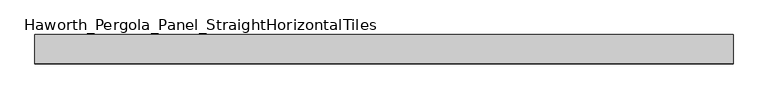
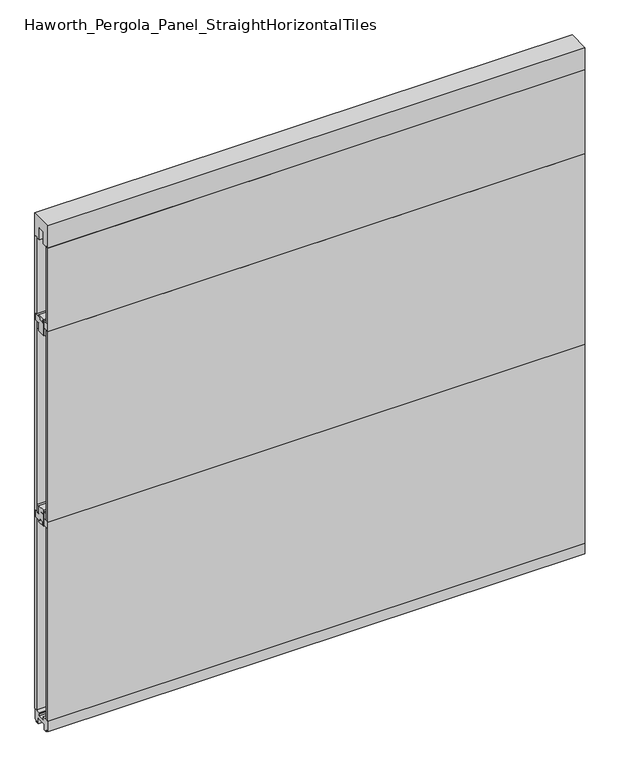
"""IFC4 building model written with IfcOpenShell, lengths in millimetres: furniture geometry, Haworth_Pergola_Panel_StraightHorizontalTiles."""

from ifc_helpers import new_model, si_unit, frame, origin, place, context, project, spatial, polyline, outline, extrude, source, transform, mapped, element, save


def haworth_pergola_panel_straighthorizontaltiles_34e0a374(model_context):
    return source(origin(), model_context, "Body", "SweptSolid", [
        extrude(outline(polyline([(12.7, 984.25), (12.7, 996.95), (-12.7, 996.95), (-12.7, 984.25), (-44.45, 984.25), (-44.45, 1016.0), (-19.05, 1016.0), (-19.05, 1054.1), (19.05, 1054.1), (19.05, 1016.0), (44.45, 1016.0), (44.45, 984.25), (12.7, 984.25)])), frame((-1181.1, 0.0, 0.0), z_axis=(1.0, 0.0, 0.0), x_axis=(0.0, 1.0, 0.0)), (0.0, 0.0, 1.0), 2438.4),
        extrude(outline(polyline([(12.7, 1962.15), (44.45, 1962.15), (44.45, 1930.4), (19.05, 1930.4), (19.05, 1892.3), (-19.05, 1892.3), (-19.05, 1930.4), (-44.45, 1930.4), (-44.45, 1962.15), (-12.7, 1962.15), (-12.7, 1949.45), (12.7, 1949.45), (12.7, 1962.15)])), frame((-1181.1, 0.0, 0.0), z_axis=(1.0, 0.0, 0.0), x_axis=(0.0, 1.0, 0.0)), (0.0, 0.0, 1.0), 2438.4),
        extrude(outline(polyline([(-1181.1, 50.8), (1257.3, 50.8), (1257.3, 38.1), (-1181.1, 38.1), (-1181.1, 50.8)])), frame((0.0, 0.0, 1016.0), z_axis=(0.0, 0.0, 1.0), x_axis=(1.0, 0.0, 0.0)), (0.0, 0.0, 1.0), 914.4),
        extrude(outline(polyline([(-1181.1, -38.1), (1257.3, -38.1), (1257.3, -50.8), (-1181.1, -50.8), (-1181.1, -38.1)])), frame((0.0, 0.0, 1016.0), z_axis=(0.0, 0.0, 1.0), x_axis=(1.0, 0.0, 0.0)), (0.0, 0.0, 1.0), 914.4),
        extrude(outline(polyline([(12.7, 1898.65), (12.7, 1911.35), (-12.7, 1911.35), (-12.7, 1898.65), (-44.45, 1898.65), (-44.45, 1930.4), (-19.05, 1930.4), (-19.05, 1968.5), (19.05, 1968.5), (19.05, 1930.4), (44.45, 1930.4), (44.45, 1898.65), (12.7, 1898.65)])), frame((-1181.1, 0.0, 0.0), z_axis=(1.0, 0.0, 0.0), x_axis=(0.0, 1.0, 0.0)), (0.0, 0.0, 1.0), 2438.4),
        extrude(outline(polyline([(-1181.1, 50.8), (1257.3, 50.8), (1257.3, 38.1), (-1181.1, 38.1), (-1181.1, 50.8)])), frame((0.0, 0.0, 1930.4), z_axis=(0.0, 0.0, 1.0), x_axis=(1.0, 0.0, 0.0)), (0.0, 0.0, 1.0), 401.4390625),
        extrude(outline(polyline([(-1181.1, -38.1), (1257.3, -38.1), (1257.3, -50.8), (-1181.1, -50.8), (-1181.1, -38.1)])), frame((0.0, 0.0, 1930.4), z_axis=(0.0, 0.0, 1.0), x_axis=(1.0, 0.0, 0.0)), (0.0, 0.0, 1.0), 401.4390625),
        extrude(outline(polyline([(12.7, 1047.75), (44.45, 1047.75), (44.45, 1016.0), (19.05, 1016.0), (19.05, 977.9), (-19.05, 977.9), (-19.05, 1016.0), (-44.45, 1016.0), (-44.45, 1047.75), (-12.7, 1047.75), (-12.7, 1035.05), (12.7, 1035.05), (12.7, 1047.75)])), frame((-1181.1, 0.0, 0.0), z_axis=(1.0, 0.0, 0.0), x_axis=(0.0, 1.0, 0.0)), (0.0, 0.0, 1.0), 2438.4),
        extrude(outline(polyline([(-1181.1, 50.8), (1257.3, 50.8), (1257.3, 38.1), (-1181.1, 38.1), (-1181.1, 50.8)])), frame((0.0, 0.0, 63.5), z_axis=(0.0, 0.0, 1.0), x_axis=(1.0, 0.0, 0.0)), (0.0, 0.0, 1.0), 952.5),
        extrude(outline(polyline([(-1181.1, -38.1), (1257.3, -38.1), (1257.3, -50.8), (-1181.1, -50.8), (-1181.1, -38.1)])), frame((0.0, 0.0, 63.5), z_axis=(0.0, 0.0, 1.0), x_axis=(1.0, 0.0, 0.0)), (0.0, 0.0, 1.0), 952.5),
        extrude(outline(polyline([(-50.8, 2438.4), (50.8, 2438.4), (50.8, 2331.8390625), (15.2182948, 2331.8390625), (15.2182948, 2388.7001663), (-15.2182948, 2388.7001663), (-15.2182948, 2331.8390625), (-50.8, 2331.8390625), (-50.8, 2438.4)])), frame((-1181.1, 0.0, 0.0), z_axis=(1.0, 0.0, 0.0), x_axis=(0.0, 1.0, 0.0)), (0.0, 0.0, 1.0), 2438.4),
        extrude(outline(polyline([(-16.2000002, 63.5), (-16.5085717, 61.7499999), (-13.3999996, 61.7499999), (-13.3999996, 58.8973461), (-15.4000002, 59.2499999), (-15.4000002, 48.3500004), (15.4000003, 48.3500004), (15.4000003, 59.2499999), (13.3999997, 58.8973461), (13.3999997, 61.7499999), (16.5085718, 61.7499999), (16.2000003, 63.5), (50.0000004, 63.5), (50.0000004, 12.6999985), (40.9499987, 12.6999985), (38.9499981, 10.6999979), (28.9499999, 10.6999979), (28.9499999, 7.6999994), (38.9499981, 7.6999994), (38.9499981, 5.6999988), (23.7499993, 5.6999988), (23.7499993, 31.4500009), (-23.7499992, 31.4500009), (-23.7499992, 5.6999988), (-38.949998, 5.6999988), (-38.949998, 7.6999994), (-28.9499998, 7.6999994), (-28.9499998, 10.6999979), (-38.949998, 10.6999979), (-40.9499986, 12.6999985), (-50.0000003, 12.6999985), (-50.0000003, 63.5), (-16.2000002, 63.5)])), frame((-1181.1, 0.0, 0.0), z_axis=(1.0, 0.0, 0.0), x_axis=(0.0, 1.0, 0.0)), (0.0, 0.0, 1.0), 2438.4),
    ])


if __name__ == "__main__":
    model = new_model("IFC4")
    model_context = context("Model", 3, world=origin())
    ifc_project = project(units=[si_unit("LENGTHUNIT", "METRE", prefix="MILLI")], contexts=[model_context])
    site = spatial("IfcSite", under=ifc_project)
    building = spatial("IfcBuilding", under=site)
    placement = place(None, origin())
    haworth_pergola_panel_straighthorizontaltiles_shape = haworth_pergola_panel_straighthorizontaltiles_34e0a374(model_context)
    element("IfcFurniture", 1, ObjectType="Haworth_Pergola_Panel_StraightHorizontalTiles", at=placement, inside=building, context=model_context, shape_type="MappedRepresentation", body=[
        mapped(haworth_pergola_panel_straighthorizontaltiles_shape, transform((0.0, 0.0, 0.0), x_axis=(1.0, 0.0, 0.0), y_axis=(0.0, 1.0, 0.0), z_axis=(0.0, 0.0, 1.0))),
    ])
    save(model, "model.ifc")
